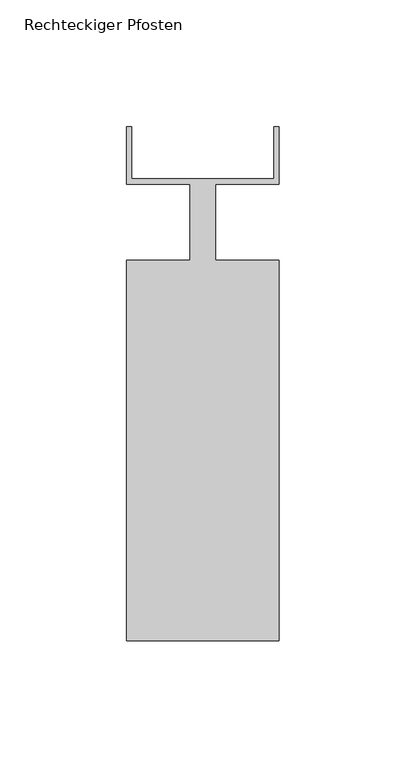
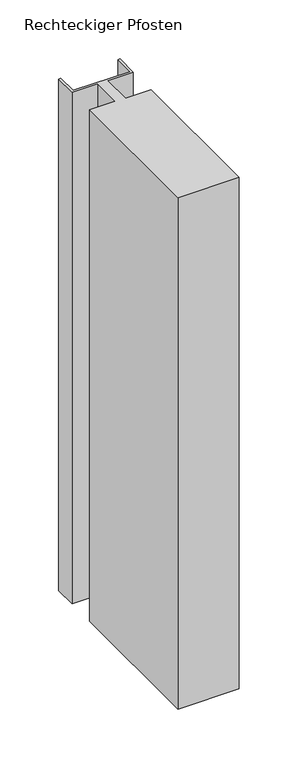
"""IFC4 building model written with IfcOpenShell, lengths in millimetres: member geometry, Rechteckiger Pfosten."""

from ifc_helpers import new_model, si_unit, frame, origin, place, context, project, spatial, polyline, outline, extrude, source, transform, mapped, element, save


def rechteckiger_pfosten_817f3eea(model_context):
    return source(origin(), model_context, "Body", "SweptSolid", [
        extrude(outline(polyline([(-2.0, 37.5), (0.0, 37.5), (0.0, 15.0), (-25.0, 15.0), (-25.0, -15.0), (0.0, -15.0), (0.0, -165.0), (-60.0, -165.0), (-60.0, -15.0), (-35.0, -15.0), (-35.0, 15.0), (-60.0, 15.0), (-60.0, 37.5), (-58.0, 37.5), (-58.0, 17.0), (-2.0, 17.0), (-2.0, 37.5)])), frame((0.0, 0.0, -530.0), z_axis=(0.0, 0.0, 1.0), x_axis=(1.0, 0.0, 0.0)), (0.0, 0.0, 1.0), 530.0),
    ])


if __name__ == "__main__":
    model = new_model("IFC4")
    model_context = context("Model", 3, world=origin())
    ifc_project = project(units=[si_unit("LENGTHUNIT", "METRE", prefix="MILLI")], contexts=[model_context])
    site = spatial("IfcSite", under=ifc_project)
    building = spatial("IfcBuilding", under=site)
    placement = place(None, origin())
    rechteckiger_pfosten_shape = rechteckiger_pfosten_817f3eea(model_context)
    element("IfcMember", 1, ObjectType="Rechteckiger Pfosten", at=placement, inside=building, context=model_context, shape_type="MappedRepresentation", body=[
        mapped(rechteckiger_pfosten_shape, transform((0.0, 0.0, 0.0), x_axis=(1.0, 0.0, 0.0), y_axis=(0.0, 1.0, 0.0), z_axis=(0.0, 0.0, 1.0))),
    ])
    save(model, "model.ifc")
